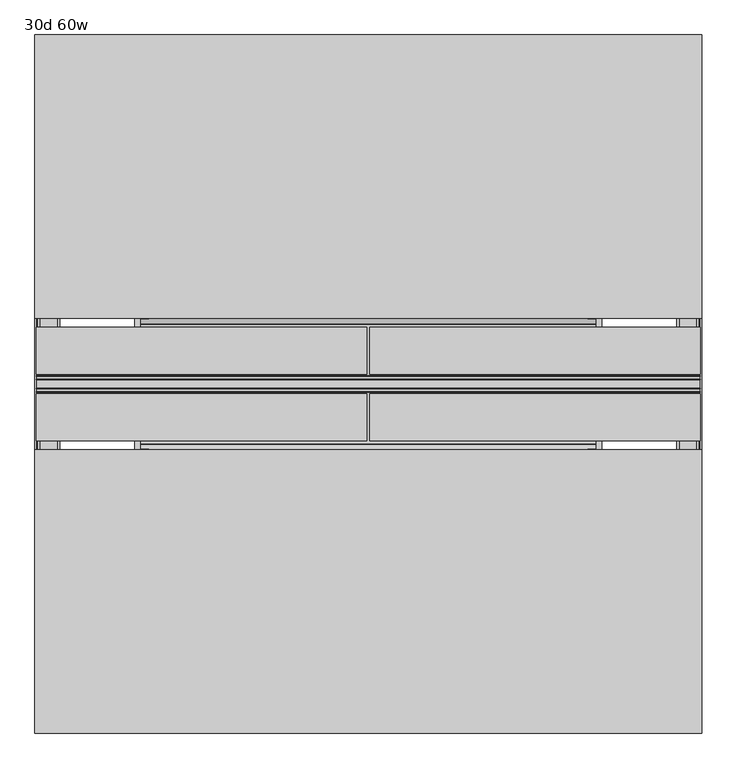
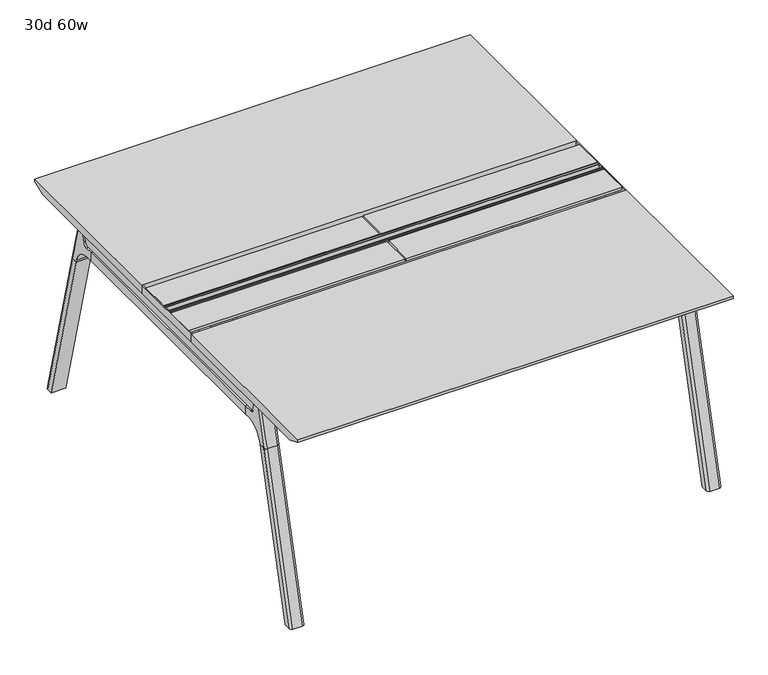
"""IFC4 building model written with IfcOpenShell, lengths in millimetres: furniture geometry, 30d 60w."""

from ifc_helpers import new_model, si_unit, point, frame, frame_2d, origin, place, context, project, spatial, polyline, circle_curve, ellipse_curve, trimmed, segment, composite_curve, outline, extrude, source, transform, mapped, element, save
from ifc_brep_helpers import plane_surface, cylinder_surface, revolved_surface, advanced_brep


def furniture_30d_60w_4be7c362(model_context):
    return source(origin(), model_context, "Body", "SolidModel", [
        extrude(outline(polyline([(-348.9784469, 559.4636683), (-364.040663, 627.7843353), (-35.4662901, 627.7843353), (-50.5285062, 559.4636683), (-46.7502281, 557.2647146), (-46.7502281, 549.3667827), (-62.6252238, 521.8704736), (-336.8817293, 521.8704736), (-352.756725, 549.3667827), (-352.756725, 557.2647146), (-348.9784469, 559.4636683)])), frame((736.6, 0.0, 0.0), z_axis=(1.0, 0.0, 0.0), x_axis=(0.0, 1.0, 0.0)), (0.0, 0.0, 1.0), 12.7),
        extrude(outline(polyline([(-348.9784469, 559.4636683), (-364.040663, 627.7843353), (-35.4662901, 627.7843353), (-50.5285062, 559.4636683), (-46.7502281, 557.2647146), (-46.7502281, 549.3667827), (-62.6252238, 521.8704736), (-336.8817293, 521.8704736), (-352.756725, 549.3667827), (-352.756725, 557.2647146), (-348.9784469, 559.4636683)])), frame((-317.5, 0.0, 0.0), z_axis=(1.0, 0.0, 0.0), x_axis=(0.0, 1.0, 0.0)), (0.0, 0.0, 1.0), 12.7),
        extrude(outline(polyline([(-18.0090763, 698.5), (3.7767266, 698.5), (3.7767266, 697.2935087), (-17.4495292, 697.2935087), (-19.0070753, 695.7359626), (-49.1186716, 559.1528512), (-50.5285062, 559.4636683), (-20.404074, 696.1050023), (-18.0090763, 698.5)])), frame((-317.5, 0.0, 0.0), z_axis=(1.0, 0.0, 0.0), x_axis=(0.0, 1.0, 0.0)), (0.0, 0.0, 1.0), 31.8008024),
        extrude(outline(polyline([(-381.4978768, 698.5), (-379.1028791, 696.1050023), (-348.9784469, 559.4636683), (-350.3882815, 559.1528512), (-380.4998778, 695.7359626), (-382.0574239, 697.2935087), (-403.2836797, 697.2935087), (-403.2836797, 698.5), (-381.4978768, 698.5)])), frame((-317.5, 0.0, 0.0), z_axis=(1.0, 0.0, 0.0), x_axis=(0.0, 1.0, 0.0)), (0.0, 0.0, 1.0), 31.8008024),
        extrude(outline(polyline([(-18.0090763, 698.5), (3.7767266, 698.5), (3.7767266, 697.2935087), (-17.4495292, 697.2935087), (-19.0070753, 695.7359626), (-49.1186716, 559.1528512), (-50.5285062, 559.4636683), (-20.404074, 696.1050023), (-18.0090763, 698.5)])), frame((717.4991976, 0.0, 0.0), z_axis=(1.0, 0.0, 0.0), x_axis=(0.0, 1.0, 0.0)), (0.0, 0.0, 1.0), 31.8008024),
        extrude(outline(polyline([(-381.4978768, 698.5), (-379.1028791, 696.1050023), (-348.9784469, 559.4636683), (-350.3882815, 559.1528512), (-380.4998778, 695.7359626), (-382.0574239, 697.2935087), (-403.2836797, 697.2935087), (-403.2836797, 698.5), (-381.4978768, 698.5)])), frame((717.4991976, 0.0, 0.0), z_axis=(1.0, 0.0, 0.0), x_axis=(0.0, 1.0, 0.0)), (0.0, 0.0, 1.0), 31.8008024),
        extrude(outline(polyline([(-353.550475, 557.5934966), (-351.518477, 559.6254947), (-350.957211, 559.0642287), (-352.756725, 557.2647146), (-352.756725, 549.3667827), (-352.5317745, 548.5272622), (-337.4390802, 522.3859395), (-336.0037101, 521.5572272), (-63.503243, 521.5572272), (-62.0678729, 522.3859395), (-46.9751786, 548.5272622), (-46.7502281, 549.3667827), (-46.7502281, 557.2647146), (-48.5497421, 559.0642287), (-47.9884761, 559.6254947), (-45.9564781, 557.5934966), (-45.9564781, 549.2622828), (-46.2355217, 548.2208856), (-61.4868074, 521.8048744), (-63.2905581, 520.7634772), (-336.216395, 520.7634772), (-338.0201457, 521.8048744), (-353.2714314, 548.2208856), (-353.550475, 549.2622828), (-353.550475, 557.5934966)])), frame((-317.4492037, 0.0, 0.0), z_axis=(1.0, 0.0, 0.0), x_axis=(0.0, 1.0, 0.0)), (0.0, 0.0, 1.0), 1066.7492037),
        extrude(outline(polyline([(-218.8034766, 715.9625), (-218.8034766, 741.3625), (-217.2159766, 741.3625), (-217.2159766, 720.725), (-210.8659766, 720.725), (-210.8659766, 741.3625), (-209.2784766, 741.3625), (-209.2784766, 717.55), (-190.2284766, 717.55), (-190.2284766, 741.3625), (-188.6409766, 741.3625), (-188.6409766, 720.725), (-182.2909766, 720.725), (-182.2909766, 741.3625), (-180.7034766, 741.3625), (-180.7034766, 715.9625), (-218.8034766, 715.9625)])), frame((-542.925, 0.0, 0.0), z_axis=(1.0, 0.0, 0.0), x_axis=(0.0, 1.0, 0.0)), (0.0, 0.0, 1.0), 1517.65),
        extrude(outline(composite_curve([segment(polyline([(328.0902734, 711.2), (319.0321726, 677.3947076)]), True, "CONTINUOUS"), segment(trimmed(circle_curve(frame_2d((303.6981001, 681.5034599)), 15.875), [point((319.0321726, 677.3947076))], [point((303.6981001, 665.6284599))], False, "CARTESIAN"), True, "CONTINUOUS"), segment(polyline([(303.6981001, 665.6284599), (-703.2050533, 665.6284599)]), True, "CONTINUOUS"), segment(trimmed(circle_curve(frame_2d((-703.2050533, 681.5034599)), 15.875), [point((-703.2050533, 665.6284599))], [point((-718.5391258, 677.3947076))], False, "CARTESIAN"), True, "CONTINUOUS"), segment(polyline([(-718.5391258, 677.3947076), (-727.5972266, 711.2), (328.0902734, 711.2)]), True, "CONTINUOUS")], self_intersect=False)), frame((927.1, 0.0, 0.0), z_axis=(1.0, 0.0, 0.0), x_axis=(0.0, 1.0, 0.0)), (0.0, 0.0, 1.0), 38.1),
        extrude(outline(polyline([(971.55, 267.7652734), (971.55, -667.2722266), (920.75, -667.2722266), (920.75, 267.7652734), (971.55, 267.7652734)])), frame((0.0, 0.0, 635.6476591), z_axis=(0.0, 0.0, 1.0), x_axis=(1.0, 0.0, 0.0)), (0.0, 0.0, 1.0), 29.9808008),
        extrude(outline(composite_curve([segment(polyline([(328.0902734, 711.2), (319.0321726, 677.3947076)]), True, "CONTINUOUS"), segment(trimmed(circle_curve(frame_2d((303.6981001, 681.5034599)), 15.875), [point((319.0321726, 677.3947076))], [point((303.6981001, 665.6284599))], False, "CARTESIAN"), True, "CONTINUOUS"), segment(polyline([(303.6981001, 665.6284599), (-703.2050533, 665.6284599)]), True, "CONTINUOUS"), segment(trimmed(circle_curve(frame_2d((-703.2050533, 681.5034599)), 15.875), [point((-703.2050533, 665.6284599))], [point((-718.5391258, 677.3947076))], False, "CARTESIAN"), True, "CONTINUOUS"), segment(polyline([(-718.5391258, 677.3947076), (-727.5972266, 711.2), (328.0902734, 711.2)]), True, "CONTINUOUS")], self_intersect=False)), frame((-533.4, 0.0, 0.0), z_axis=(1.0, 0.0, 0.0), x_axis=(0.0, 1.0, 0.0)), (0.0, 0.0, 1.0), 38.1),
        extrude(outline(polyline([(-488.95, 267.7652734), (-488.95, -667.2722266), (-539.75, -667.2722266), (-539.75, 267.7652734), (-488.95, 267.7652734)])), frame((0.0, 0.0, 635.6476591), z_axis=(0.0, 0.0, 1.0), x_axis=(1.0, 0.0, 0.0)), (0.0, 0.0, 1.0), 29.9808008),
        advanced_brep(
        [(920.75, -721.2935553, 711.2), (920.75, -712.2354545, 677.3947076), (920.75, -696.901382, 665.6284599), (920.75, -667.2722266, 665.6284599), (920.75, -667.2722266, 635.6476591), (920.75, -690.1434588, 635.6476591), (920.75, -754.5465633, 586.2294189), (920.75, -757.1047754, 576.6820411), (920.75, -778.2087453, 576.6820411), (920.75, -742.7601017, 711.2), (971.55, -757.1047754, 576.6820411), (971.55, -754.5465633, 586.2294189), (971.55, -690.1434588, 635.6476591), (971.55, -667.2722266, 635.6476591), (971.55, -667.2722266, 665.6284599), (971.55, -696.901382, 665.6284599), (971.55, -712.2354545, 677.3947076), (971.55, -721.2935553, 711.2), (971.55, -742.7601017, 711.2), (971.55, -778.2087453, 576.6820411), (927.0138162, -752.0149462, 711.2), (965.2861838, -752.0149462, 711.2), (962.025, -788.0589247, 576.6820411), (930.275, -788.0589247, 576.6820411)],
        [
            (0, 1),
            (1, 2, circle_curve(frame((920.75, -696.901382, 681.5034599), z_axis=(1.0, 0.0, 0.0), x_axis=(0.0, -1.0, 0.0)), 15.875)),
            (2, 3),
            (3, 4),
            (4, 5),
            (5, 6, circle_curve(frame((920.75, -690.1434588, 568.9726591), z_axis=(1.0, 0.0, 0.0), x_axis=(0.0, -1.0, 0.0)), 66.675)),
            (6, 7),
            (7, 8),
            (8, 9),
            (9, 0),
            (10, 11),
            (11, 12, circle_curve(frame((971.55, -690.1434588, 568.9726591), z_axis=(-1.0, 0.0, 0.0), x_axis=(0.0, -1.0, 0.0)), 66.675)),
            (12, 13),
            (13, 14),
            (14, 15),
            (15, 16, circle_curve(frame((971.55, -696.901382, 681.5034599), z_axis=(-1.0, 0.0, 0.0), x_axis=(0.0, -1.0, 0.0)), 15.875)),
            (16, 17),
            (17, 18),
            (18, 19),
            (19, 10),
            (17, 0),
            (9, 20, ellipse_curve(frame((930.275, -742.7601017, 711.2), z_axis=(0.0, 0.0, 1.0), x_axis=(0.0, -1.0, 0.0)), 9.8501793, 9.525)),
            (20, 21),
            (21, 18, ellipse_curve(frame((962.025, -742.7601017, 711.2), z_axis=(0.0, 0.0, 1.0), x_axis=(0.0, -1.0, 0.0)), 9.8501793, 9.525)),
            (16, 1),
            (15, 2),
            (14, 3),
            (13, 4),
            (12, 5),
            (11, 6),
            (10, 7),
            (19, 22, ellipse_curve(frame((962.025, -778.2087453, 576.6820411), z_axis=(0.0, 0.0, -1.0), x_axis=(0.0, -1.0, 0.0)), 9.8501793, 9.525)),
            (22, 23),
            (23, 8, ellipse_curve(frame((930.275, -778.2087453, 576.6820411), z_axis=(0.0, 0.0, -1.0), x_axis=(0.0, -1.0, 0.0)), 9.8501793, 9.525)),
            (20, 23, ellipse_curve(frame((930.275, -191.6892106, 2802.3641142), z_axis=(0.0, -0.9659258262890684, 0.2588190451025206), x_axis=(0.0, -0.2588190451025206, -0.9659258262890684)), 2304.1956354, 9.525)),
            (22, 21, ellipse_curve(frame((962.025, -191.6892106, 2802.3641142), z_axis=(0.0, -0.9659258262890684, 0.2588190451025206), x_axis=(0.0, -0.2588190451025206, -0.9659258262890684)), 2304.1956354, 9.525)),
        ],
        [
            plane_surface(frame((920.75, -752.0149462, 711.2), z_axis=(-1.0, 0.0, 0.0), x_axis=(0.0, 1.0, 0.0))),
            plane_surface(frame((971.55, -752.0149462, 711.2), z_axis=(1.0, 0.0, 0.0), x_axis=(0.0, -1.0, 0.0))),
            plane_surface(frame((920.75, -752.0149462, 711.2), z_axis=(0.0, 0.0, 1.0), x_axis=(1.0, 0.0, 0.0))),
            plane_surface(frame((920.75, -721.2935553, 711.2), z_axis=(0.0, 0.9659258262890683, 0.2588190451025207), x_axis=(1.0, 0.0, 0.0))),
            revolved_surface(polyline([(971.55, -712.776382, 681.5034599), (920.75, -712.776382, 681.5034599)]), (971.55, -696.901382, 681.5034599), (1.0, 0.0, 0.0)),
            plane_surface(frame((920.75, -696.901382, 665.6284599), z_axis=(0.0, 0.0, 1.0), x_axis=(1.0, 0.0, 0.0))),
            plane_surface(frame((920.75, -667.2722266, 665.6284599), z_axis=(0.0, 1.0, 0.0), x_axis=(1.0, 0.0, 0.0))),
            plane_surface(frame((920.75, -667.2722266, 635.6476591), z_axis=(0.0, 0.0, -1.0), x_axis=(1.0, 0.0, 0.0))),
            revolved_surface(polyline([(971.55, -756.8184587999999, 568.9726591), (920.75, -756.8184587999999, 568.9726591)]), (971.55, -690.1434588, 568.9726591), (1.0, 0.0, 0.0)),
            plane_surface(frame((920.75, -754.5465633, 586.2294189), z_axis=(0.0, 0.9659258262890693, -0.25881904510251696), x_axis=(1.0, 0.0, 0.0))),
            plane_surface(frame((920.75, -757.1047754, 576.6820411), z_axis=(0.0, 0.0, -1.0), x_axis=(1.0, 0.0, 0.0))),
            plane_surface(frame((920.75, -788.0589247, 576.6820411), z_axis=(0.0, -0.9659258262890684, 0.2588190451025206), x_axis=(1.0, 0.0, 0.0))),
            cylinder_surface(frame((930.275, -930.8176402, -2.4271979), z_axis=(0.0, -0.25482392474081483, -0.966987470125486), x_axis=(1.0, 0.0, 0.0)), 9.525),
            cylinder_surface(frame((962.025, -930.8176402, -2.4271979), z_axis=(0.0, -0.25482392474081483, -0.966987470125486), x_axis=(1.0, 0.0, 0.0)), 9.525),
        ],
        [
            (0, [[1, 2, 3, 4, 5, 6, 7, 8, 9, 10]]),
            (1, [[11, 12, 13, 14, 15, 16, 17, 18, 19, 20]]),
            (2, [[21, -10, 22, 23, 24, -18]]),
            (3, [[-1, -21, -17, 25]]),
            (4, [[-2, -25, -16, 26]]),
            (5, [[-3, -26, -15, 27]]),
            (6, [[-4, -27, -14, 28]]),
            (7, [[-5, -28, -13, 29]]),
            (8, [[-6, -29, -12, 30]]),
            (9, [[-7, -30, -11, 31]]),
            (10, [[-31, -20, 32, 33, 34, -8]]),
            (11, [[-23, 35, -33, 36]]),
            (12, [[-9, -34, -35, -22]]),
            (13, [[-19, -24, -36, -32]]),
        ],
    ),
        advanced_brep(
        [(920.75, -757.1047754, 576.6820411), (920.75, -909.0740466, 0.0), (920.75, -930.1780165, 0.0), (920.75, -778.2087453, 576.6820411), (971.55, -909.0740466, 0.0), (971.55, -757.1047754, 576.6820411), (971.55, -778.2087453, 576.6820411), (971.55, -930.1780165, 0.0), (930.275, -788.0589247, 576.6820411), (962.025, -788.0589247, 576.6820411), (962.025, -940.0281958, 0.0), (930.275, -940.0281958, 0.0)],
        [
            (0, 1),
            (1, 2),
            (2, 3),
            (3, 0),
            (4, 5),
            (5, 6),
            (6, 7),
            (7, 4),
            (5, 0),
            (3, 8, ellipse_curve(frame((930.275, -778.2087453, 576.6820411), z_axis=(0.0, 0.0, 1.0), x_axis=(0.0, -1.0, 0.0)), 9.8501793, 9.525)),
            (8, 9),
            (9, 6, ellipse_curve(frame((962.025, -778.2087453, 576.6820411), z_axis=(0.0, 0.0, 1.0), x_axis=(0.0, -1.0, 0.0)), 9.8501793, 9.525)),
            (4, 1),
            (7, 10, ellipse_curve(frame((962.025, -930.1780165, 0.0), z_axis=(0.0, 0.0, -1.0), x_axis=(0.0, -1.0, 0.0)), 9.8501793, 9.525)),
            (10, 11),
            (11, 2, ellipse_curve(frame((930.275, -930.1780165, 0.0), z_axis=(0.0, 0.0, -1.0), x_axis=(0.0, -1.0, 0.0)), 9.8501793, 9.525)),
            (8, 11),
            (10, 9),
        ],
        [
            plane_surface(frame((920.75, -788.0589247, 576.6820411), z_axis=(-1.0, 0.0, 0.0), x_axis=(0.0, 1.0, 0.0))),
            plane_surface(frame((971.55, -788.0589247, 576.6820411), z_axis=(1.0, 0.0, 0.0), x_axis=(0.0, -1.0, 0.0))),
            plane_surface(frame((920.75, -788.0589247, 576.6820411), z_axis=(0.0, 0.0, 1.0), x_axis=(1.0, 0.0, 0.0))),
            plane_surface(frame((920.75, -757.1047754, 576.6820411), z_axis=(0.0, 0.9669874701254844, -0.2548239247408208), x_axis=(1.0, 0.0, 0.0))),
            plane_surface(frame((920.75, -909.0740466, 0.0), z_axis=(0.0, 0.0, -1.0), x_axis=(1.0, 0.0, 0.0))),
            plane_surface(frame((920.75, -940.0281958, 0.0), z_axis=(0.0, -0.9669874701254855, 0.2548239247408166), x_axis=(1.0, 0.0, 0.0))),
            cylinder_surface(frame((930.275, -930.8176402, -2.4271979), z_axis=(0.0, -0.25482392474081483, -0.966987470125486), x_axis=(1.0, 0.0, 0.0)), 9.525),
            cylinder_surface(frame((962.025, -930.8176402, -2.4271979), z_axis=(0.0, -0.25482392474081483, -0.966987470125486), x_axis=(1.0, 0.0, 0.0)), 9.525),
        ],
        [
            (0, [[1, 2, 3, 4]]),
            (1, [[5, 6, 7, 8]]),
            (2, [[9, -4, 10, 11, 12, -6]]),
            (3, [[-1, -9, -5, 13]]),
            (4, [[-13, -8, 14, 15, 16, -2]]),
            (5, [[-11, 17, -15, 18]]),
            (6, [[-3, -16, -17, -10]]),
            (7, [[-7, -12, -18, -14]]),
        ],
    ),
        advanced_brep(
        [(971.55, 321.7866022, 711.2), (971.55, 312.7285014, 677.3947076), (971.55, 297.3944289, 665.6284599), (971.55, 267.7652734, 665.6284599), (971.55, 267.7652734, 635.6476591), (971.55, 290.6365057, 635.6476591), (971.55, 355.0396101, 586.2294189), (971.55, 357.5978223, 576.6820411), (971.55, 378.7017922, 576.6820411), (971.55, 343.2531486, 711.2), (920.75, 357.5978223, 576.6820411), (920.75, 355.0396101, 586.2294189), (920.75, 290.6365057, 635.6476591), (920.75, 267.7652734, 635.6476591), (920.75, 267.7652734, 665.6284599), (920.75, 297.3944289, 665.6284599), (920.75, 312.7285014, 677.3947076), (920.75, 321.7866022, 711.2), (920.75, 343.2531486, 711.2), (920.75, 378.7017922, 576.6820411), (965.2861838, 352.5079931, 711.2), (927.0138162, 352.5079931, 711.2), (930.275, 388.5519716, 576.6820411), (962.025, 388.5519716, 576.6820411)],
        [
            (0, 1),
            (1, 2, circle_curve(frame((971.55, 297.3944289, 681.5034599), z_axis=(-1.0, 0.0, 0.0), x_axis=(0.0, 1.0, 0.0)), 15.875)),
            (2, 3),
            (3, 4),
            (4, 5),
            (5, 6, circle_curve(frame((971.55, 290.6365057, 568.9726591), z_axis=(-1.0, 0.0, 0.0), x_axis=(0.0, 1.0, 0.0)), 66.675)),
            (6, 7),
            (7, 8),
            (8, 9),
            (9, 0),
            (10, 11),
            (11, 12, circle_curve(frame((920.75, 290.6365057, 568.9726591), z_axis=(1.0, 0.0, 0.0), x_axis=(0.0, 1.0, 0.0)), 66.675)),
            (12, 13),
            (13, 14),
            (14, 15),
            (15, 16, circle_curve(frame((920.75, 297.3944289, 681.5034599), z_axis=(1.0, 0.0, 0.0), x_axis=(0.0, 1.0, 0.0)), 15.875)),
            (16, 17),
            (17, 18),
            (18, 19),
            (19, 10),
            (17, 0),
            (9, 20, ellipse_curve(frame((962.025, 343.2531486, 711.2), z_axis=(0.0, 0.0, 1.0), x_axis=(0.0, 1.0, 0.0)), 9.8501793, 9.525)),
            (20, 21),
            (21, 18, ellipse_curve(frame((930.275, 343.2531486, 711.2), z_axis=(0.0, 0.0, 1.0), x_axis=(0.0, 1.0, 0.0)), 9.8501793, 9.525)),
            (16, 1),
            (15, 2),
            (14, 3),
            (13, 4),
            (12, 5),
            (11, 6),
            (10, 7),
            (19, 22, ellipse_curve(frame((930.275, 378.7017922, 576.6820411), z_axis=(0.0, 0.0, -1.0), x_axis=(0.0, 1.0, 0.0)), 9.8501793, 9.525)),
            (22, 23),
            (23, 8, ellipse_curve(frame((962.025, 378.7017922, 576.6820411), z_axis=(0.0, 0.0, -1.0), x_axis=(0.0, 1.0, 0.0)), 9.8501793, 9.525)),
            (20, 23, ellipse_curve(frame((962.025, -207.8177425, 2802.3641142), z_axis=(0.0, 0.9659258262890684, 0.2588190451025206), x_axis=(0.0, 0.2588190451025206, -0.9659258262890684)), 2304.1956354, 9.525)),
            (22, 21, ellipse_curve(frame((930.275, -207.8177425, 2802.3641142), z_axis=(0.0, 0.9659258262890684, 0.2588190451025206), x_axis=(0.0, 0.2588190451025206, -0.9659258262890684)), 2304.1956354, 9.525)),
        ],
        [
            plane_surface(frame((971.55, 352.5079931, 711.2), z_axis=(1.0, 0.0, 0.0), x_axis=(0.0, -1.0, 0.0))),
            plane_surface(frame((920.75, 352.5079931, 711.2), z_axis=(-1.0, 0.0, 0.0), x_axis=(0.0, 1.0, 0.0))),
            plane_surface(frame((971.55, 352.5079931, 711.2), z_axis=(0.0, 0.0, 1.0), x_axis=(-1.0, 0.0, 0.0))),
            plane_surface(frame((971.55, 321.7866022, 711.2), z_axis=(0.0, -0.9659258262890683, 0.2588190451025207), x_axis=(-1.0, 0.0, 0.0))),
            revolved_surface(polyline([(920.75, 313.2694289, 681.5034599), (971.55, 313.2694289, 681.5034599)]), (920.75, 297.3944289, 681.5034599), (-1.0, 0.0, 0.0)),
            plane_surface(frame((971.55, 297.3944289, 665.6284599), z_axis=(0.0, 0.0, 1.0), x_axis=(-1.0, 0.0, 0.0))),
            plane_surface(frame((971.55, 267.7652734, 665.6284599), z_axis=(0.0, -1.0, 0.0), x_axis=(-1.0, 0.0, 0.0))),
            plane_surface(frame((971.55, 267.7652734, 635.6476591), z_axis=(0.0, 0.0, -1.0), x_axis=(-1.0, 0.0, 0.0))),
            revolved_surface(polyline([(920.75, 357.3115057, 568.9726591), (971.55, 357.3115057, 568.9726591)]), (920.75, 290.6365057, 568.9726591), (-1.0, 0.0, 0.0)),
            plane_surface(frame((971.55, 355.0396101, 586.2294189), z_axis=(0.0, -0.9659258262890693, -0.25881904510251696), x_axis=(-1.0, 0.0, 0.0))),
            plane_surface(frame((971.55, 357.5978223, 576.6820411), z_axis=(0.0, 0.0, -1.0), x_axis=(-1.0, 0.0, 0.0))),
            plane_surface(frame((971.55, 388.5519716, 576.6820411), z_axis=(0.0, 0.9659258262890684, 0.2588190451025206), x_axis=(-1.0, 0.0, 0.0))),
            cylinder_surface(frame((962.025, 531.3106871, -2.4271979), z_axis=(0.0, 0.25482392474081483, -0.966987470125486), x_axis=(-1.0, 0.0, 0.0)), 9.525),
            cylinder_surface(frame((930.275, 531.3106871, -2.4271979), z_axis=(0.0, 0.25482392474081483, -0.966987470125486), x_axis=(-1.0, 0.0, 0.0)), 9.525),
        ],
        [
            (0, [[1, 2, 3, 4, 5, 6, 7, 8, 9, 10]]),
            (1, [[11, 12, 13, 14, 15, 16, 17, 18, 19, 20]]),
            (2, [[21, -10, 22, 23, 24, -18]]),
            (3, [[-1, -21, -17, 25]]),
            (4, [[-2, -25, -16, 26]]),
            (5, [[-3, -26, -15, 27]]),
            (6, [[-4, -27, -14, 28]]),
            (7, [[-5, -28, -13, 29]]),
            (8, [[-6, -29, -12, 30]]),
            (9, [[-7, -30, -11, 31]]),
            (10, [[-31, -20, 32, 33, 34, -8]]),
            (11, [[-23, 35, -33, 36]]),
            (12, [[-9, -34, -35, -22]]),
            (13, [[-19, -24, -36, -32]]),
        ],
    ),
        advanced_brep(
        [(971.55, 357.5978223, 576.6820411), (971.55, 509.5670935, 0.0), (971.55, 530.6710634, 0.0), (971.55, 378.7017922, 576.6820411), (920.75, 509.5670935, 0.0), (920.75, 357.5978223, 576.6820411), (920.75, 378.7017922, 576.6820411), (920.75, 530.6710634, 0.0), (962.025, 388.5519716, 576.6820411), (930.275, 388.5519716, 576.6820411), (930.275, 540.5212427, 0.0), (962.025, 540.5212427, 0.0)],
        [
            (0, 1),
            (1, 2),
            (2, 3),
            (3, 0),
            (4, 5),
            (5, 6),
            (6, 7),
            (7, 4),
            (5, 0),
            (3, 8, ellipse_curve(frame((962.025, 378.7017922, 576.6820411), z_axis=(0.0, 0.0, 1.0), x_axis=(0.0, 1.0, 0.0)), 9.8501793, 9.525)),
            (8, 9),
            (9, 6, ellipse_curve(frame((930.275, 378.7017922, 576.6820411), z_axis=(0.0, 0.0, 1.0), x_axis=(0.0, 1.0, 0.0)), 9.8501793, 9.525)),
            (4, 1),
            (7, 10, ellipse_curve(frame((930.275, 530.6710634, 0.0), z_axis=(0.0, 0.0, -1.0), x_axis=(0.0, 1.0, 0.0)), 9.8501793, 9.525)),
            (10, 11),
            (11, 2, ellipse_curve(frame((962.025, 530.6710634, 0.0), z_axis=(0.0, 0.0, -1.0), x_axis=(0.0, 1.0, 0.0)), 9.8501793, 9.525)),
            (8, 11),
            (10, 9),
        ],
        [
            plane_surface(frame((971.55, 388.5519716, 576.6820411), z_axis=(1.0, 0.0, 0.0), x_axis=(0.0, -1.0, 0.0))),
            plane_surface(frame((920.75, 388.5519716, 576.6820411), z_axis=(-1.0, 0.0, 0.0), x_axis=(0.0, 1.0, 0.0))),
            plane_surface(frame((971.55, 388.5519716, 576.6820411), z_axis=(0.0, 0.0, 1.0), x_axis=(-1.0, 0.0, 0.0))),
            plane_surface(frame((971.55, 357.5978223, 576.6820411), z_axis=(0.0, -0.9669874701254844, -0.2548239247408208), x_axis=(-1.0, 0.0, 0.0))),
            plane_surface(frame((971.55, 509.5670935, 0.0), z_axis=(0.0, 0.0, -1.0), x_axis=(-1.0, 0.0, 0.0))),
            plane_surface(frame((971.55, 540.5212427, 0.0), z_axis=(0.0, 0.9669874701254855, 0.2548239247408166), x_axis=(-1.0, 0.0, 0.0))),
            cylinder_surface(frame((962.025, 531.3106871, -2.4271979), z_axis=(0.0, 0.25482392474081483, -0.966987470125486), x_axis=(-1.0, 0.0, 0.0)), 9.525),
            cylinder_surface(frame((930.275, 531.3106871, -2.4271979), z_axis=(0.0, 0.25482392474081483, -0.966987470125486), x_axis=(-1.0, 0.0, 0.0)), 9.525),
        ],
        [
            (0, [[1, 2, 3, 4]]),
            (1, [[5, 6, 7, 8]]),
            (2, [[9, -4, 10, 11, 12, -6]]),
            (3, [[-1, -9, -5, 13]]),
            (4, [[-13, -8, 14, 15, 16, -2]]),
            (5, [[-11, 17, -15, 18]]),
            (6, [[-3, -16, -17, -10]]),
            (7, [[-7, -12, -18, -14]]),
        ],
    ),
        advanced_brep(
        [(-488.95, 321.7866022, 711.2), (-488.95, 312.7285014, 677.3947076), (-488.95, 297.3944289, 665.6284599), (-488.95, 267.7652734, 665.6284599), (-488.95, 267.7652734, 635.6476591), (-488.95, 290.6365057, 635.6476591), (-488.95, 355.0396101, 586.2294189), (-488.95, 357.5978223, 576.6820411), (-488.95, 378.7017922, 576.6820411), (-488.95, 343.2531486, 711.2), (-539.75, 357.5978223, 576.6820411), (-539.75, 355.0396101, 586.2294189), (-539.75, 290.6365057, 635.6476591), (-539.75, 267.7652734, 635.6476591), (-539.75, 267.7652734, 665.6284599), (-539.75, 297.3944289, 665.6284599), (-539.75, 312.7285014, 677.3947076), (-539.75, 321.7866022, 711.2), (-539.75, 343.2531486, 711.2), (-539.75, 378.7017922, 576.6820411), (-495.2138162, 352.5079931, 711.2), (-533.4861838, 352.5079931, 711.2), (-530.225, 388.5519716, 576.6820411), (-498.475, 388.5519716, 576.6820411)],
        [
            (0, 1),
            (1, 2, circle_curve(frame((-488.95, 297.3944289, 681.5034599), z_axis=(-1.0, 0.0, 0.0), x_axis=(0.0, 1.0, 0.0)), 15.875)),
            (2, 3),
            (3, 4),
            (4, 5),
            (5, 6, circle_curve(frame((-488.95, 290.6365057, 568.9726591), z_axis=(-1.0, 0.0, 0.0), x_axis=(0.0, 1.0, 0.0)), 66.675)),
            (6, 7),
            (7, 8),
            (8, 9),
            (9, 0),
            (10, 11),
            (11, 12, circle_curve(frame((-539.75, 290.6365057, 568.9726591), z_axis=(1.0, 0.0, 0.0), x_axis=(0.0, 1.0, 0.0)), 66.675)),
            (12, 13),
            (13, 14),
            (14, 15),
            (15, 16, circle_curve(frame((-539.75, 297.3944289, 681.5034599), z_axis=(1.0, 0.0, 0.0), x_axis=(0.0, 1.0, 0.0)), 15.875)),
            (16, 17),
            (17, 18),
            (18, 19),
            (19, 10),
            (17, 0),
            (9, 20, ellipse_curve(frame((-498.475, 343.2531486, 711.2), z_axis=(0.0, 0.0, 1.0), x_axis=(0.0, 1.0, 0.0)), 9.8501793, 9.525)),
            (20, 21),
            (21, 18, ellipse_curve(frame((-530.225, 343.2531486, 711.2), z_axis=(0.0, 0.0, 1.0), x_axis=(0.0, 1.0, 0.0)), 9.8501793, 9.525)),
            (16, 1),
            (15, 2),
            (14, 3),
            (13, 4),
            (12, 5),
            (11, 6),
            (10, 7),
            (19, 22, ellipse_curve(frame((-530.225, 378.7017922, 576.6820411), z_axis=(0.0, 0.0, -1.0), x_axis=(0.0, 1.0, 0.0)), 9.8501793, 9.525)),
            (22, 23),
            (23, 8, ellipse_curve(frame((-498.475, 378.7017922, 576.6820411), z_axis=(0.0, 0.0, -1.0), x_axis=(0.0, 1.0, 0.0)), 9.8501793, 9.525)),
            (20, 23, ellipse_curve(frame((-498.475, -207.8177425, 2802.3641142), z_axis=(0.0, 0.9659258262890684, 0.2588190451025206), x_axis=(0.0, 0.2588190451025206, -0.9659258262890684)), 2304.1956354, 9.525)),
            (22, 21, ellipse_curve(frame((-530.225, -207.8177425, 2802.3641142), z_axis=(0.0, 0.9659258262890684, 0.2588190451025206), x_axis=(0.0, 0.2588190451025206, -0.9659258262890684)), 2304.1956354, 9.525)),
        ],
        [
            plane_surface(frame((-488.95, 352.5079931, 711.2), z_axis=(1.0, 0.0, 0.0), x_axis=(0.0, -1.0, 0.0))),
            plane_surface(frame((-539.75, 352.5079931, 711.2), z_axis=(-1.0, 0.0, 0.0), x_axis=(0.0, 1.0, 0.0))),
            plane_surface(frame((-488.95, 352.5079931, 711.2), z_axis=(0.0, 0.0, 1.0), x_axis=(-1.0, 0.0, 0.0))),
            plane_surface(frame((-488.95, 321.7866022, 711.2), z_axis=(0.0, -0.9659258262890683, 0.2588190451025207), x_axis=(-1.0, 0.0, 0.0))),
            revolved_surface(polyline([(-539.75, 313.2694289, 681.5034599), (-488.95, 313.2694289, 681.5034599)]), (-539.75, 297.3944289, 681.5034599), (-1.0, 0.0, 0.0)),
            plane_surface(frame((-488.95, 297.3944289, 665.6284599), z_axis=(0.0, 0.0, 1.0), x_axis=(-1.0, 0.0, 0.0))),
            plane_surface(frame((-488.95, 267.7652734, 665.6284599), z_axis=(0.0, -1.0, 0.0), x_axis=(-1.0, 0.0, 0.0))),
            plane_surface(frame((-488.95, 267.7652734, 635.6476591), z_axis=(0.0, 0.0, -1.0), x_axis=(-1.0, 0.0, 0.0))),
            revolved_surface(polyline([(-539.75, 357.3115057, 568.9726591), (-488.95, 357.3115057, 568.9726591)]), (-539.75, 290.6365057, 568.9726591), (-1.0, 0.0, 0.0)),
            plane_surface(frame((-488.95, 355.0396101, 586.2294189), z_axis=(0.0, -0.9659258262890693, -0.25881904510251696), x_axis=(-1.0, 0.0, 0.0))),
            plane_surface(frame((-488.95, 357.5978223, 576.6820411), z_axis=(0.0, 0.0, -1.0), x_axis=(-1.0, 0.0, 0.0))),
            plane_surface(frame((-488.95, 388.5519716, 576.6820411), z_axis=(0.0, 0.9659258262890684, 0.2588190451025206), x_axis=(-1.0, 0.0, 0.0))),
            cylinder_surface(frame((-498.475, 531.3106871, -2.4271979), z_axis=(0.0, 0.25482392474081483, -0.966987470125486), x_axis=(-1.0, 0.0, 0.0)), 9.525),
            cylinder_surface(frame((-530.225, 531.3106871, -2.4271979), z_axis=(0.0, 0.25482392474081483, -0.966987470125486), x_axis=(-1.0, 0.0, 0.0)), 9.525),
        ],
        [
            (0, [[1, 2, 3, 4, 5, 6, 7, 8, 9, 10]]),
            (1, [[11, 12, 13, 14, 15, 16, 17, 18, 19, 20]]),
            (2, [[21, -10, 22, 23, 24, -18]]),
            (3, [[-1, -21, -17, 25]]),
            (4, [[-2, -25, -16, 26]]),
            (5, [[-3, -26, -15, 27]]),
            (6, [[-4, -27, -14, 28]]),
            (7, [[-5, -28, -13, 29]]),
            (8, [[-6, -29, -12, 30]]),
            (9, [[-7, -30, -11, 31]]),
            (10, [[-31, -20, 32, 33, 34, -8]]),
            (11, [[-23, 35, -33, 36]]),
            (12, [[-9, -34, -35, -22]]),
            (13, [[-19, -24, -36, -32]]),
        ],
    ),
        advanced_brep(
        [(-488.95, 357.5978223, 576.6820411), (-488.95, 509.5670935, 0.0), (-488.95, 530.6710634, 0.0), (-488.95, 378.7017922, 576.6820411), (-539.75, 509.5670935, 0.0), (-539.75, 357.5978223, 576.6820411), (-539.75, 378.7017922, 576.6820411), (-539.75, 530.6710634, 0.0), (-498.475, 388.5519716, 576.6820411), (-530.225, 388.5519716, 576.6820411), (-530.225, 540.5212427, 0.0), (-498.475, 540.5212427, 0.0)],
        [
            (0, 1),
            (1, 2),
            (2, 3),
            (3, 0),
            (4, 5),
            (5, 6),
            (6, 7),
            (7, 4),
            (5, 0),
            (3, 8, ellipse_curve(frame((-498.475, 378.7017922, 576.6820411), z_axis=(0.0, 0.0, 1.0), x_axis=(0.0, 1.0, 0.0)), 9.8501793, 9.525)),
            (8, 9),
            (9, 6, ellipse_curve(frame((-530.225, 378.7017922, 576.6820411), z_axis=(0.0, 0.0, 1.0), x_axis=(0.0, 1.0, 0.0)), 9.8501793, 9.525)),
            (4, 1),
            (7, 10, ellipse_curve(frame((-530.225, 530.6710634, 0.0), z_axis=(0.0, 0.0, -1.0), x_axis=(0.0, 1.0, 0.0)), 9.8501793, 9.525)),
            (10, 11),
            (11, 2, ellipse_curve(frame((-498.475, 530.6710634, 0.0), z_axis=(0.0, 0.0, -1.0), x_axis=(0.0, 1.0, 0.0)), 9.8501793, 9.525)),
            (8, 11),
            (10, 9),
        ],
        [
            plane_surface(frame((-488.95, 388.5519716, 576.6820411), z_axis=(1.0, 0.0, 0.0), x_axis=(0.0, -1.0, 0.0))),
            plane_surface(frame((-539.75, 388.5519716, 576.6820411), z_axis=(-1.0, 0.0, 0.0), x_axis=(0.0, 1.0, 0.0))),
            plane_surface(frame((-488.95, 388.5519716, 576.6820411), z_axis=(0.0, 0.0, 1.0), x_axis=(-1.0, 0.0, 0.0))),
            plane_surface(frame((-488.95, 357.5978223, 576.6820411), z_axis=(0.0, -0.9669874701254844, -0.2548239247408208), x_axis=(-1.0, 0.0, 0.0))),
            plane_surface(frame((-488.95, 509.5670935, 0.0), z_axis=(0.0, 0.0, -1.0), x_axis=(-1.0, 0.0, 0.0))),
            plane_surface(frame((-488.95, 540.5212427, 0.0), z_axis=(0.0, 0.9669874701254855, 0.2548239247408166), x_axis=(-1.0, 0.0, 0.0))),
            cylinder_surface(frame((-498.475, 531.3106871, -2.4271979), z_axis=(0.0, 0.25482392474081483, -0.966987470125486), x_axis=(-1.0, 0.0, 0.0)), 9.525),
            cylinder_surface(frame((-530.225, 531.3106871, -2.4271979), z_axis=(0.0, 0.25482392474081483, -0.966987470125486), x_axis=(-1.0, 0.0, 0.0)), 9.525),
        ],
        [
            (0, [[1, 2, 3, 4]]),
            (1, [[5, 6, 7, 8]]),
            (2, [[9, -4, 10, 11, 12, -6]]),
            (3, [[-1, -9, -5, 13]]),
            (4, [[-13, -8, 14, 15, 16, -2]]),
            (5, [[-11, 17, -15, 18]]),
            (6, [[-3, -16, -17, -10]]),
            (7, [[-7, -12, -18, -14]]),
        ],
    ),
        advanced_brep(
        [(-539.75, -721.2935553, 711.2), (-539.75, -712.2354545, 677.3947076), (-539.75, -696.901382, 665.6284599), (-539.75, -667.2722266, 665.6284599), (-539.75, -667.2722266, 635.6476591), (-539.75, -690.1434588, 635.6476591), (-539.75, -754.5465633, 586.2294189), (-539.75, -757.1047754, 576.6820411), (-539.75, -778.2087453, 576.6820411), (-539.75, -742.7601017, 711.2), (-488.95, -757.1047754, 576.6820411), (-488.95, -754.5465633, 586.2294189), (-488.95, -690.1434588, 635.6476591), (-488.95, -667.2722266, 635.6476591), (-488.95, -667.2722266, 665.6284599), (-488.95, -696.901382, 665.6284599), (-488.95, -712.2354545, 677.3947076), (-488.95, -721.2935553, 711.2), (-488.95, -742.7601017, 711.2), (-488.95, -778.2087453, 576.6820411), (-533.4861838, -752.0149462, 711.2), (-495.2138162, -752.0149462, 711.2), (-498.475, -788.0589247, 576.6820411), (-530.225, -788.0589247, 576.6820411)],
        [
            (0, 1),
            (1, 2, circle_curve(frame((-539.75, -696.901382, 681.5034599), z_axis=(1.0, 0.0, 0.0), x_axis=(0.0, -1.0, 0.0)), 15.875)),
            (2, 3),
            (3, 4),
            (4, 5),
            (5, 6, circle_curve(frame((-539.75, -690.1434588, 568.9726591), z_axis=(1.0, 0.0, 0.0), x_axis=(0.0, -1.0, 0.0)), 66.675)),
            (6, 7),
            (7, 8),
            (8, 9),
            (9, 0),
            (10, 11),
            (11, 12, circle_curve(frame((-488.95, -690.1434588, 568.9726591), z_axis=(-1.0, 0.0, 0.0), x_axis=(0.0, -1.0, 0.0)), 66.675)),
            (12, 13),
            (13, 14),
            (14, 15),
            (15, 16, circle_curve(frame((-488.95, -696.901382, 681.5034599), z_axis=(-1.0, 0.0, 0.0), x_axis=(0.0, -1.0, 0.0)), 15.875)),
            (16, 17),
            (17, 18),
            (18, 19),
            (19, 10),
            (17, 0),
            (9, 20, ellipse_curve(frame((-530.225, -742.7601017, 711.2), z_axis=(0.0, 0.0, 1.0), x_axis=(0.0, -1.0, 0.0)), 9.8501793, 9.525)),
            (20, 21),
            (21, 18, ellipse_curve(frame((-498.475, -742.7601017, 711.2), z_axis=(0.0, 0.0, 1.0), x_axis=(0.0, -1.0, 0.0)), 9.8501793, 9.525)),
            (16, 1),
            (15, 2),
            (14, 3),
            (13, 4),
            (12, 5),
            (11, 6),
            (10, 7),
            (19, 22, ellipse_curve(frame((-498.475, -778.2087453, 576.6820411), z_axis=(0.0, 0.0, -1.0), x_axis=(0.0, -1.0, 0.0)), 9.8501793, 9.525)),
            (22, 23),
            (23, 8, ellipse_curve(frame((-530.225, -778.2087453, 576.6820411), z_axis=(0.0, 0.0, -1.0), x_axis=(0.0, -1.0, 0.0)), 9.8501793, 9.525)),
            (20, 23, ellipse_curve(frame((-530.225, -191.6892106, 2802.3641142), z_axis=(0.0, -0.9659258262890684, 0.2588190451025206), x_axis=(0.0, -0.2588190451025206, -0.9659258262890684)), 2304.1956354, 9.525)),
            (22, 21, ellipse_curve(frame((-498.475, -191.6892106, 2802.3641142), z_axis=(0.0, -0.9659258262890684, 0.2588190451025206), x_axis=(0.0, -0.2588190451025206, -0.9659258262890684)), 2304.1956354, 9.525)),
        ],
        [
            plane_surface(frame((-539.75, -752.0149462, 711.2), z_axis=(-1.0, 0.0, 0.0), x_axis=(0.0, 1.0, 0.0))),
            plane_surface(frame((-488.95, -752.0149462, 711.2), z_axis=(1.0, 0.0, 0.0), x_axis=(0.0, -1.0, 0.0))),
            plane_surface(frame((-539.75, -752.0149462, 711.2), z_axis=(0.0, 0.0, 1.0), x_axis=(1.0, 0.0, 0.0))),
            plane_surface(frame((-539.75, -721.2935553, 711.2), z_axis=(0.0, 0.9659258262890683, 0.2588190451025207), x_axis=(1.0, 0.0, 0.0))),
            revolved_surface(polyline([(-488.95, -712.776382, 681.5034599), (-539.75, -712.776382, 681.5034599)]), (-488.95, -696.901382, 681.5034599), (1.0, 0.0, 0.0)),
            plane_surface(frame((-539.75, -696.901382, 665.6284599), z_axis=(0.0, 0.0, 1.0), x_axis=(1.0, 0.0, 0.0))),
            plane_surface(frame((-539.75, -667.2722266, 665.6284599), z_axis=(0.0, 1.0, 0.0), x_axis=(1.0, 0.0, 0.0))),
            plane_surface(frame((-539.75, -667.2722266, 635.6476591), z_axis=(0.0, 0.0, -1.0), x_axis=(1.0, 0.0, 0.0))),
            revolved_surface(polyline([(-488.95, -756.8184587999999, 568.9726591), (-539.75, -756.8184587999999, 568.9726591)]), (-488.95, -690.1434588, 568.9726591), (1.0, 0.0, 0.0)),
            plane_surface(frame((-539.75, -754.5465633, 586.2294189), z_axis=(0.0, 0.9659258262890693, -0.25881904510251696), x_axis=(1.0, 0.0, 0.0))),
            plane_surface(frame((-539.75, -757.1047754, 576.6820411), z_axis=(0.0, 0.0, -1.0), x_axis=(1.0, 0.0, 0.0))),
            plane_surface(frame((-539.75, -788.0589247, 576.6820411), z_axis=(0.0, -0.9659258262890684, 0.2588190451025206), x_axis=(1.0, 0.0, 0.0))),
            cylinder_surface(frame((-530.225, -930.8176402, -2.4271979), z_axis=(0.0, -0.25482392474081483, -0.966987470125486), x_axis=(1.0, 0.0, 0.0)), 9.525),
            cylinder_surface(frame((-498.475, -930.8176402, -2.4271979), z_axis=(0.0, -0.25482392474081483, -0.966987470125486), x_axis=(1.0, 0.0, 0.0)), 9.525),
        ],
        [
            (0, [[1, 2, 3, 4, 5, 6, 7, 8, 9, 10]]),
            (1, [[11, 12, 13, 14, 15, 16, 17, 18, 19, 20]]),
            (2, [[21, -10, 22, 23, 24, -18]]),
            (3, [[-1, -21, -17, 25]]),
            (4, [[-2, -25, -16, 26]]),
            (5, [[-3, -26, -15, 27]]),
            (6, [[-4, -27, -14, 28]]),
            (7, [[-5, -28, -13, 29]]),
            (8, [[-6, -29, -12, 30]]),
            (9, [[-7, -30, -11, 31]]),
            (10, [[-31, -20, 32, 33, 34, -8]]),
            (11, [[-23, 35, -33, 36]]),
            (12, [[-9, -34, -35, -22]]),
            (13, [[-19, -24, -36, -32]]),
        ],
    ),
        advanced_brep(
        [(-539.75, -757.1047754, 576.6820411), (-539.75, -909.0740466, 0.0), (-539.75, -930.1780165, 0.0), (-539.75, -778.2087453, 576.6820411), (-488.95, -909.0740466, 0.0), (-488.95, -757.1047754, 576.6820411), (-488.95, -778.2087453, 576.6820411), (-488.95, -930.1780165, 0.0), (-530.225, -788.0589247, 576.6820411), (-498.475, -788.0589247, 576.6820411), (-498.475, -940.0281958, 0.0), (-530.225, -940.0281958, 0.0)],
        [
            (0, 1),
            (1, 2),
            (2, 3),
            (3, 0),
            (4, 5),
            (5, 6),
            (6, 7),
            (7, 4),
            (5, 0),
            (3, 8, ellipse_curve(frame((-530.225, -778.2087453, 576.6820411), z_axis=(0.0, 0.0, 1.0), x_axis=(0.0, -1.0, 0.0)), 9.8501793, 9.525)),
            (8, 9),
            (9, 6, ellipse_curve(frame((-498.475, -778.2087453, 576.6820411), z_axis=(0.0, 0.0, 1.0), x_axis=(0.0, -1.0, 0.0)), 9.8501793, 9.525)),
            (4, 1),
            (7, 10, ellipse_curve(frame((-498.475, -930.1780165, 0.0), z_axis=(0.0, 0.0, -1.0), x_axis=(0.0, -1.0, 0.0)), 9.8501793, 9.525)),
            (10, 11),
            (11, 2, ellipse_curve(frame((-530.225, -930.1780165, 0.0), z_axis=(0.0, 0.0, -1.0), x_axis=(0.0, -1.0, 0.0)), 9.8501793, 9.525)),
            (8, 11),
            (10, 9),
        ],
        [
            plane_surface(frame((-539.75, -788.0589247, 576.6820411), z_axis=(-1.0, 0.0, 0.0), x_axis=(0.0, 1.0, 0.0))),
            plane_surface(frame((-488.95, -788.0589247, 576.6820411), z_axis=(1.0, 0.0, 0.0), x_axis=(0.0, -1.0, 0.0))),
            plane_surface(frame((-539.75, -788.0589247, 576.6820411), z_axis=(0.0, 0.0, 1.0), x_axis=(1.0, 0.0, 0.0))),
            plane_surface(frame((-539.75, -757.1047754, 576.6820411), z_axis=(0.0, 0.9669874701254844, -0.2548239247408208), x_axis=(1.0, 0.0, 0.0))),
            plane_surface(frame((-539.75, -909.0740466, 0.0), z_axis=(0.0, 0.0, -1.0), x_axis=(1.0, 0.0, 0.0))),
            plane_surface(frame((-539.75, -940.0281958, 0.0), z_axis=(0.0, -0.9669874701254855, 0.2548239247408166), x_axis=(1.0, 0.0, 0.0))),
            cylinder_surface(frame((-530.225, -930.8176402, -2.4271979), z_axis=(0.0, -0.25482392474081483, -0.966987470125486), x_axis=(1.0, 0.0, 0.0)), 9.525),
            cylinder_surface(frame((-498.475, -930.8176402, -2.4271979), z_axis=(0.0, -0.25482392474081483, -0.966987470125486), x_axis=(1.0, 0.0, 0.0)), 9.525),
        ],
        [
            (0, [[1, 2, 3, 4]]),
            (1, [[5, 6, 7, 8]]),
            (2, [[9, -4, 10, 11, 12, -6]]),
            (3, [[-1, -9, -5, 13]]),
            (4, [[-13, -8, 14, 15, 16, -2]]),
            (5, [[-11, 17, -15, 18]]),
            (6, [[-3, -16, -17, -10]]),
            (7, [[-7, -12, -18, -14]]),
        ],
    ),
        extrude(outline(polyline([(-49.7347266, 741.3625), (597.9652734, 741.3625), (597.9652734, 731.8375), (547.1652734, 711.2), (-49.7347266, 711.2), (-49.7347266, 741.3625)])), frame((-546.1, 0.0, 0.0), z_axis=(1.0, 0.0, 0.0), x_axis=(0.0, 1.0, 0.0)), (0.0, 0.0, 1.0), 1524.0),
        extrude(outline(polyline([(-997.4722266, 741.3625), (-349.7722266, 741.3625), (-349.7722266, 711.2), (-946.6722266, 711.2), (-997.4722266, 731.8375), (-997.4722266, 741.3625)])), frame((-546.1, 0.0, 0.0), z_axis=(1.0, 0.0, 0.0), x_axis=(0.0, 1.0, 0.0)), (0.0, 0.0, 1.0), 1524.0),
        extrude(outline(polyline([(212.725, -69.5784766), (212.725, -177.5284766), (-542.925, -177.5284766), (-542.925, -69.5784766), (212.725, -69.5784766)])), frame((0.0, 0.0, 731.8375), z_axis=(0.0, 0.0, 1.0), x_axis=(1.0, 0.0, 0.0)), (0.0, 0.0, 1.0), 9.525),
        extrude(outline(polyline([(212.725, -221.9784766), (212.725, -329.9284766), (-542.925, -329.9284766), (-542.925, -221.9784766), (212.725, -221.9784766)])), frame((0.0, 0.0, 731.8375), z_axis=(0.0, 0.0, 1.0), x_axis=(1.0, 0.0, 0.0)), (0.0, 0.0, 1.0), 9.525),
        extrude(outline(polyline([(974.725, -69.5784766), (974.725, -177.5284766), (219.075, -177.5284766), (219.075, -69.5784766), (974.725, -69.5784766)])), frame((0.0, 0.0, 731.8375), z_axis=(0.0, 0.0, 1.0), x_axis=(1.0, 0.0, 0.0)), (0.0, 0.0, 1.0), 9.525),
        extrude(outline(polyline([(974.725, -221.9784766), (974.725, -329.9284766), (219.075, -329.9284766), (219.075, -221.9784766), (974.725, -221.9784766)])), frame((0.0, 0.0, 731.8375), z_axis=(0.0, 0.0, 1.0), x_axis=(1.0, 0.0, 0.0)), (0.0, 0.0, 1.0), 9.525),
        extrude(outline(polyline([(920.75, 9.7965234), (920.75, -21.9534766), (-488.95, -21.9534766), (-488.95, 9.7965234), (920.75, 9.7965234)])), frame((0.0, 0.0, 646.1125), z_axis=(0.0, 0.0, 1.0), x_axis=(1.0, 0.0, 0.0)), (0.0, 0.0, 1.0), 50.8),
        extrude(outline(polyline([(920.75, -377.5534766), (920.75, -409.3034766), (-488.95, -409.3034766), (-488.95, -377.5534766), (920.75, -377.5534766)])), frame((0.0, 0.0, 646.1125), z_axis=(0.0, 0.0, 1.0), x_axis=(1.0, 0.0, 0.0)), (0.0, 0.0, 1.0), 50.8),
        extrude(outline(polyline([(977.9, -49.7347266), (977.9, -349.7722266), (974.725, -349.7722266), (974.725, -49.7347266), (977.9, -49.7347266)])), frame((0.0, 0.0, 711.2), z_axis=(0.0, 0.0, 1.0), x_axis=(1.0, 0.0, 0.0)), (0.0, 0.0, 1.0), 30.1625),
        extrude(outline(polyline([(-542.925, -49.7347266), (-542.925, -349.7722266), (-546.1, -349.7722266), (-546.1, -49.7347266), (-542.925, -49.7347266)])), frame((0.0, 0.0, 711.2), z_axis=(0.0, 0.0, 1.0), x_axis=(1.0, 0.0, 0.0)), (0.0, 0.0, 1.0), 30.1625),
    ])


if __name__ == "__main__":
    model = new_model("IFC4")
    model_context = context("Model", 3, world=origin())
    ifc_project = project(units=[si_unit("LENGTHUNIT", "METRE", prefix="MILLI")], contexts=[model_context])
    site = spatial("IfcSite", under=ifc_project)
    building = spatial("IfcBuilding", under=site)
    placement = place(None, origin())
    furniture_30d_60w_shape = furniture_30d_60w_4be7c362(model_context)
    element("IfcFurniture", 1, ObjectType="30d 60w", at=placement, inside=building, context=model_context, shape_type="MappedRepresentation", body=[
        mapped(furniture_30d_60w_shape, transform((0.0, 0.0, 0.0), x_axis=(1.0, 0.0, 0.0), y_axis=(0.0, 1.0, 0.0), z_axis=(0.0, 0.0, 1.0))),
    ])
    save(model, "model.ifc")
